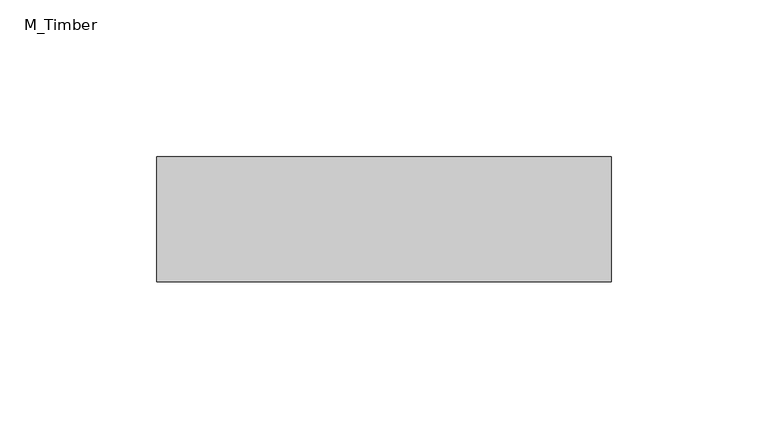
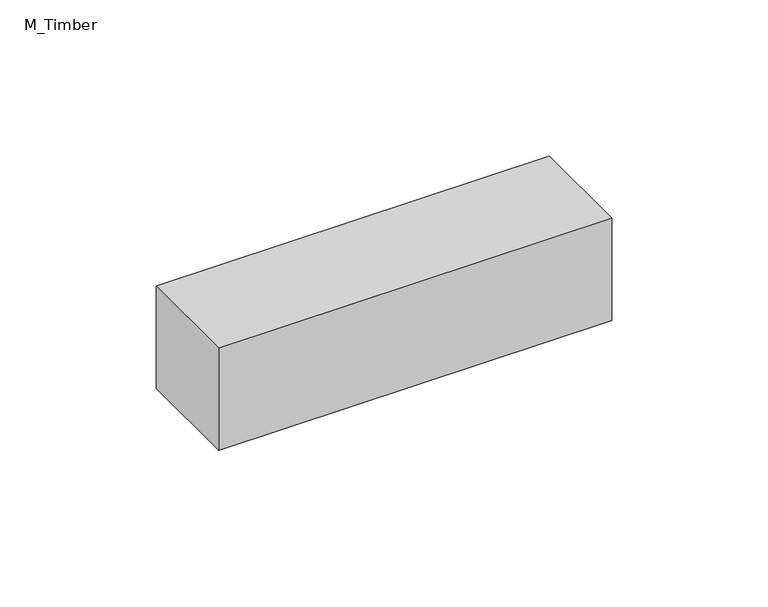
"""IFC4 building model written with IfcOpenShell, lengths in millimetres: beam geometry, M_Timber."""

from ifc_helpers import new_model, si_unit, frame, origin, place, context, project, spatial, polyline, outline, extrude, source, transform, mapped, element, save


def m_timber_c640d0f6(model_context):
    return source(origin(), model_context, "Body", "SweptSolid", [
        extrude(outline(polyline([(72.5932769, 20.0), (72.5932769, -20.0), (-72.5932769, -20.0), (-72.5932769, 20.0), (72.5932769, 20.0)])), frame((0.0, 0.0, -20.0), z_axis=(0.0, 0.0, 1.0), x_axis=(1.0, 0.0, 0.0)), (0.0, 0.0, 1.0), 40.0),
    ])


if __name__ == "__main__":
    model = new_model("IFC4")
    model_context = context("Model", 3, world=origin())
    ifc_project = project(units=[si_unit("LENGTHUNIT", "METRE", prefix="MILLI")], contexts=[model_context])
    site = spatial("IfcSite", under=ifc_project)
    building = spatial("IfcBuilding", under=site)
    placement = place(None, origin())
    m_timber_shape = m_timber_c640d0f6(model_context)
    element("IfcBeam", 1, ObjectType="M_Timber", at=placement, inside=building, context=model_context, shape_type="MappedRepresentation", body=[
        mapped(m_timber_shape, transform((0.0, 0.0, 0.0), x_axis=(1.0, 0.0, 0.0), y_axis=(0.0, 1.0, 0.0), z_axis=(0.0, 0.0, 1.0))),
    ])
    save(model, "model.ifc")
